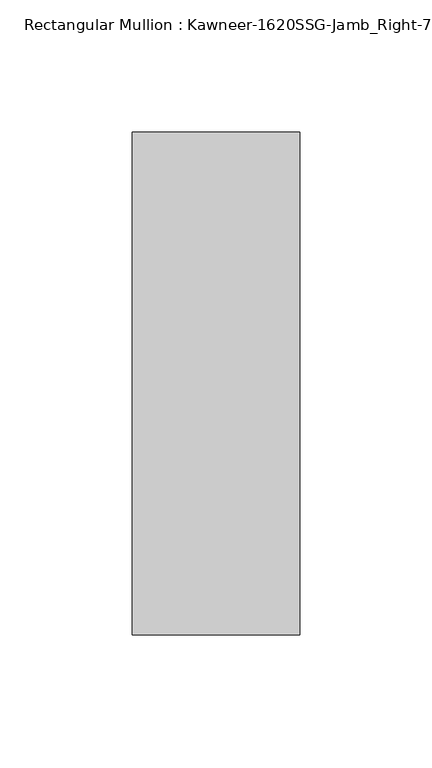
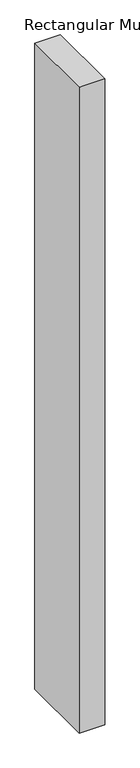
"""IFC4 building model written with IfcOpenShell, lengths in millimetres: member geometry."""

from ifc_helpers import new_model, si_unit, frame, origin, place, context, project, spatial, polyline, outline, extrude, source, transform, mapped, element, save


def member_8a771b1f(model_context):
    return source(origin(), model_context, "Body", "SweptSolid", [
        extrude(outline(polyline([(-22.225, 28.575), (41.275, 28.575), (41.275, -161.925), (-22.225, -161.925), (-22.225, 28.575)])), frame((0.0, 0.0, -1695.45), z_axis=(0.0, 0.0, 1.0), x_axis=(1.0, 0.0, 0.0)), (0.0, 0.0, 1.0), 1695.45),
    ])


if __name__ == "__main__":
    model = new_model("IFC4")
    model_context = context("Model", 3, world=origin())
    ifc_project = project(units=[si_unit("LENGTHUNIT", "METRE", prefix="MILLI")], contexts=[model_context])
    site = spatial("IfcSite", under=ifc_project)
    building = spatial("IfcBuilding", under=site)
    placement = place(None, origin())
    member_shape = member_8a771b1f(model_context)
    element("IfcMember", 1, ObjectType="Rectangular Mullion : Kawneer-1620SSG-Jamb_Right-7.5\"-1/4\"Infill", at=placement, inside=building, context=model_context, shape_type="MappedRepresentation", body=[
        mapped(member_shape, transform((0.0, 0.0, 0.0), x_axis=(1.0, 0.0, 0.0), y_axis=(0.0, 1.0, 0.0), z_axis=(0.0, 0.0, 1.0))),
    ])
    save(model, "model.ifc")
